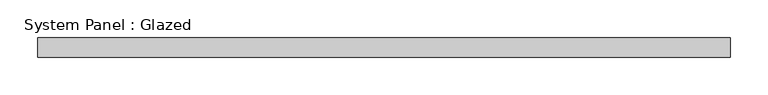
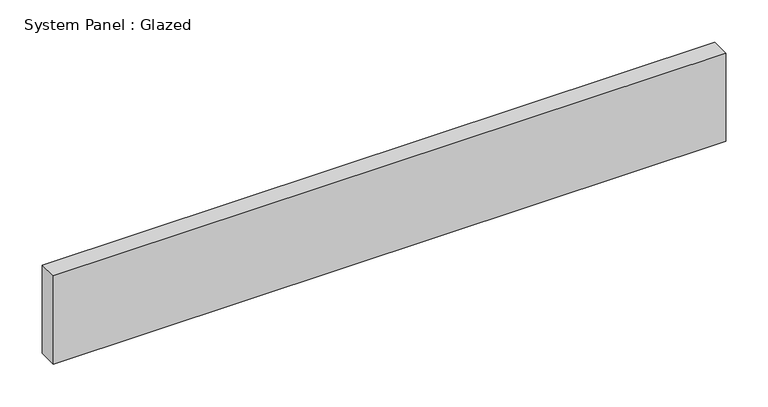
"""IFC4 building model written with IfcOpenShell, lengths in millimetres: plate geometry, System Panel : Glazed."""

from ifc_helpers import new_model, si_unit, origin, origin_with_axes, place, context, project, spatial, polyline, outline, extrude, source, transform, mapped, element, save


def system_panel_glazed_23a24556(model_context):
    return source(origin(), model_context, "Body", "SweptSolid", [
        extrude(outline(polyline([(457.2, -12.7), (-457.2, -12.7), (-457.2, 12.7), (457.2, 12.7), (457.2, -12.7)])), origin_with_axes(), (0.0, 0.0, 1.0), 127.0),
    ])


if __name__ == "__main__":
    model = new_model("IFC4")
    model_context = context("Model", 3, world=origin())
    ifc_project = project(units=[si_unit("LENGTHUNIT", "METRE", prefix="MILLI")], contexts=[model_context])
    site = spatial("IfcSite", under=ifc_project)
    building = spatial("IfcBuilding", under=site)
    placement = place(None, origin())
    system_panel_glazed_shape = system_panel_glazed_23a24556(model_context)
    element("IfcPlate", 1, ObjectType="System Panel : Glazed", at=placement, inside=building, context=model_context, shape_type="MappedRepresentation", body=[
        mapped(system_panel_glazed_shape, transform((0.0, 0.0, 0.0), x_axis=(1.0, 0.0, 0.0), y_axis=(0.0, 1.0, 0.0), z_axis=(0.0, 0.0, 1.0))),
    ])
    save(model, "model.ifc")
